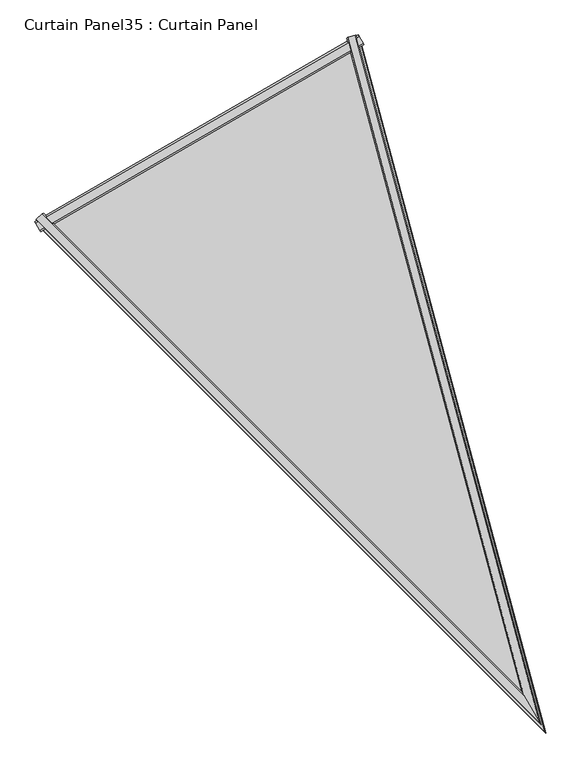
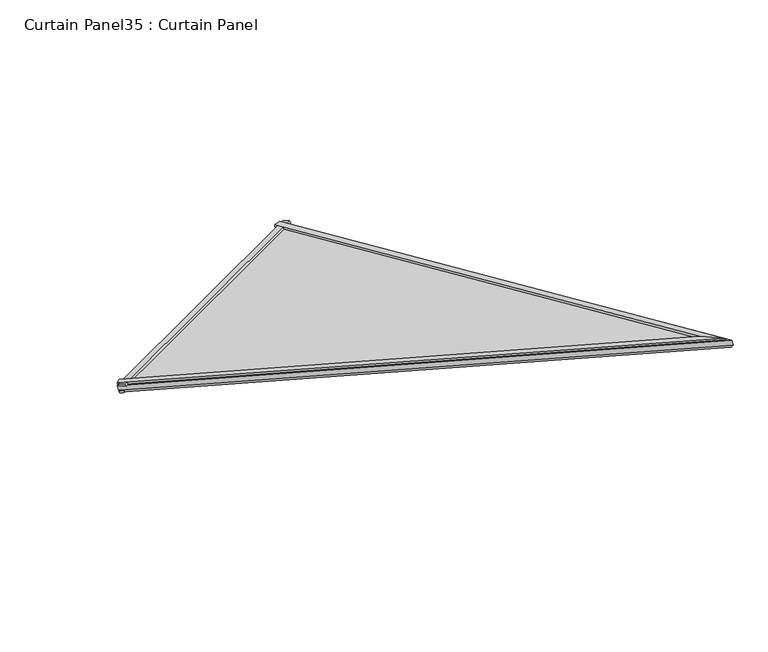
"""IFC4 building model written with IfcOpenShell, lengths in millimetres: plate geometry, Curtain Panel35 : Curtain Panel."""

from ifc_helpers import new_model, si_unit, frame, origin, place, context, project, spatial, polyline, outline, extrude, faceted_brep, source, transform, mapped, element, save


def curtain_panel35_curtain_panel_80c326a9(model_context):
    return source(origin(), model_context, "Body", "SolidModel", [
        faceted_brep([(-13246.3959618, -12605.6051371, 3573.288547), (-13260.9628023, -12619.6574876, 3574.6440059), (-13260.7636698, -12617.7732591, 3579.091032), (-13248.8161338, -12606.1949331, 3578.1185585), (-12632.0302972, -12250.9010125, 3573.2885608), (-12630.309433, -12249.09998, 3578.1185722), (-12614.3085405, -12244.5422733, 3579.0910457), (-12612.5771845, -12245.3119337, 3574.6440196), (-12277.2473044, -13574.8115035, 3940.5490658), (-12238.1483972, -13642.5327973, 3962.2412503), (-12240.9945689, -13637.6030832, 3965.5342533), (-12273.1350803, -13581.9340845, 3947.8545397)], [[[0, 1, 2, 3]], [[4, 5, 6, 7]], [[1, 0, 8, 4, 7, 9]], [[2, 1, 9, 10]], [[3, 2, 10, 11]], [[0, 3, 11, 8]], [[10, 9, 7, 6]], [[11, 10, 6, 5]], [[8, 11, 5, 4]]]),
        faceted_brep([(-13252.1916348, -12617.508993, 3557.1680446), (-13260.2888362, -12625.6057446, 3557.1679594), (-13262.0179594, -12625.4013733, 3562.2702102), (-13252.1476026, -12615.8347822, 3561.4701186), (-12618.8234191, -12251.8337403, 3557.1680583), (-12620.2953443, -12251.034768, 3561.4701323), (-12607.075255, -12247.2700838, 3562.2702239), (-12607.7628259, -12248.869734, 3557.1679731), (-12253.06686, -13616.6932618, 3935.7880637), (-12230.9430506, -13655.0128238, 3947.2402815), (-12228.8598907, -13658.6209625, 3953.7872034), (-12255.4142181, -13612.6275182, 3939.1839163)], [[[0, 1, 2, 3]], [[4, 5, 6, 7]], [[1, 0, 8, 9]], [[2, 1, 9, 10]], [[3, 2, 10, 11]], [[0, 3, 11, 8]], [[9, 8, 4, 7]], [[10, 9, 7, 6]], [[11, 10, 6, 5]], [[8, 11, 5, 4]]]),
        extrude(outline(polyline([(17.9487093, 24.3079194), (22.7898933, 21.8387007), (22.6434887, 5.1736019), (17.9487094, 4.0224895), (17.9487093, 24.3079194)])), frame((-13261.417258, -12626.5787819, 3557.6172191), z_axis=(0.8660254037844359, 0.500000000000005, 0.0), x_axis=(-0.1336535801817844, 0.23149479148832802, 0.96361137499428)), (0.0, 0.0, 1.0), 756.4401984),
        extrude(outline(polyline([(0.2320345, 12.9367971), (4.9609552, 13.881007), (4.836525, 0.1126276), (-2.7420994, 2.2148414), (0.2320345, 12.9367971)])), frame((-13261.417258, -12626.5787819, 3557.6172191), z_axis=(0.8660254037844359, 0.500000000000005, 0.0), x_axis=(-0.1336535801817844, 0.23149479148832802, 0.96361137499428)), (0.0, 0.0, 1.0), 756.4401984),
        extrude(outline(polyline([(-45.157849, 0.0), (-1369.1892203, -732.4647933), (-1558.2882947, 0.0), (-45.157849, 0.0)])), frame((-12217.3601897, -13701.1154325, 3965.6537829), z_axis=(-0.1336535801817844, 0.23149479148832808, 0.9636113749942801), x_axis=(0.2500276440822646, -0.9330047598813824, 0.25882097139404386)), (0.0, 0.0, 1.0), 13.0516381),
    ])


if __name__ == "__main__":
    model = new_model("IFC4")
    model_context = context("Model", 3, world=origin())
    ifc_project = project(units=[si_unit("LENGTHUNIT", "METRE", prefix="MILLI")], contexts=[model_context])
    site = spatial("IfcSite", under=ifc_project)
    building = spatial("IfcBuilding", under=site)
    placement = place(None, origin())
    curtain_panel35_curtain_panel_shape = curtain_panel35_curtain_panel_80c326a9(model_context)
    element("IfcPlate", 1, ObjectType="Curtain Panel35 : Curtain Panel", at=placement, inside=building, context=model_context, shape_type="MappedRepresentation", body=[
        mapped(curtain_panel35_curtain_panel_shape, transform((0.0, 0.0, 0.0), x_axis=(1.0, 0.0, 0.0), y_axis=(0.0, 1.0, 0.0), z_axis=(0.0, 0.0, 1.0))),
    ])
    save(model, "model.ifc")
